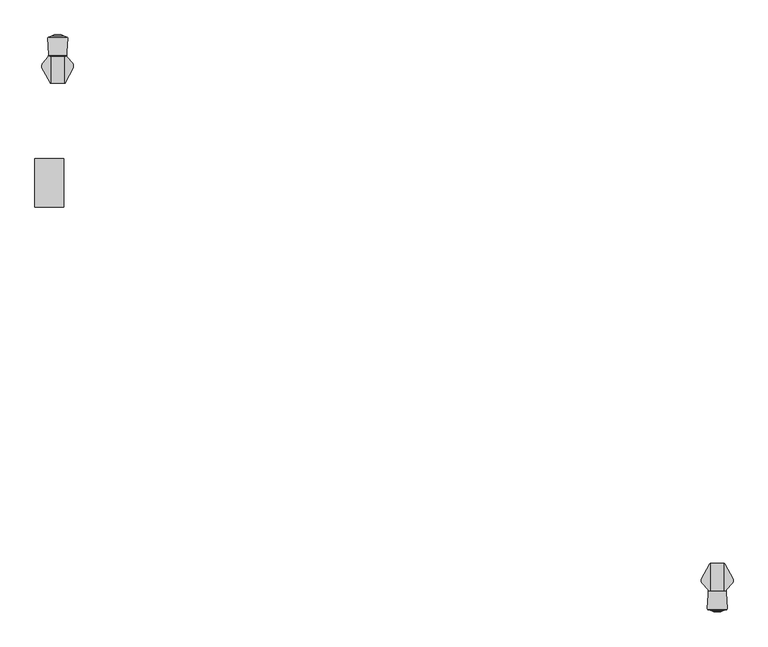
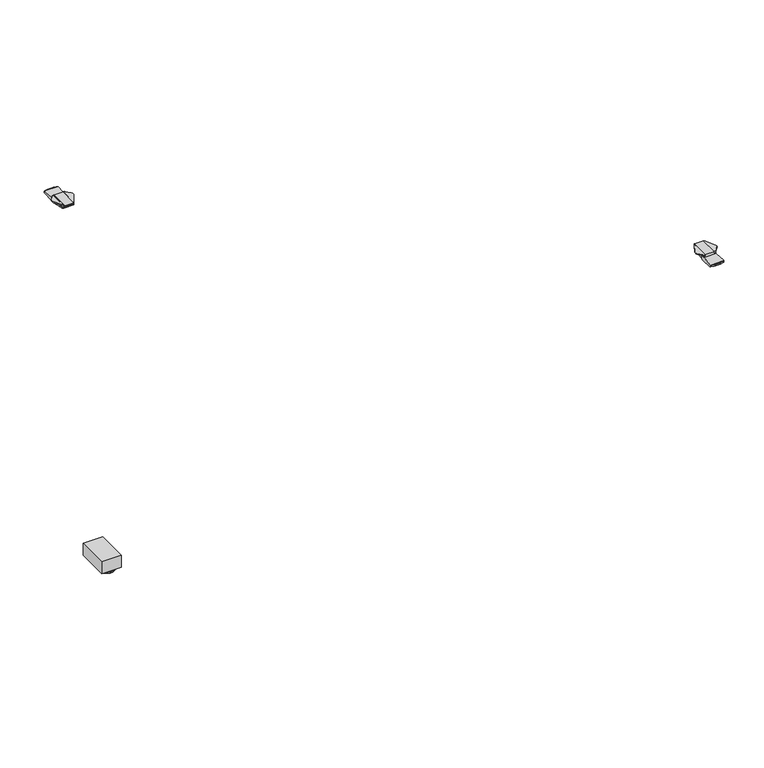
"""IFC4 building model written with IfcOpenShell, lengths in millimetres: furniture geometry."""

from ifc_helpers import new_model, si_unit, frame, origin, place, context, project, spatial, polyline, circle_curve, ellipse_curve, outline, extrude, faceted_brep, source, transform, mapped, element, save
from ifc_brep_helpers import plane_surface, cylinder_surface, revolved_surface, advanced_brep


def furniture_896f5cc2(model_context):
    return source(origin(), model_context, "Body", "SolidModel", [
        advanced_brep(
        [(-665.6951697, 895.5866978, 1037.209), (-665.6951697, 895.5866978, 1029.9601819), (-664.57366, 895.5866978, 1029.8867914), (-664.57366, 895.5866978, 1037.209), (-661.3898093, 951.0598352, 1033.5228106), (-661.5398673, 951.0598352, 1031.2297138), (-661.9192398, 951.0598352, 1029.7130886), (-665.6951697, 951.0598352, 1029.9601819), (-665.6951697, 951.0598352, 1037.209), (-661.0193081, 951.0598352, 1037.209), (-661.0193081, 951.0598352, 1033.8693631), (-647.3176977, 927.1377656, 1037.209), (-647.3176977, 932.3231849, 1037.209), (-649.2257879, 935.9117807, 1037.209), (-661.0193081, 949.1101381, 1037.209), (-647.5958057, 926.6292686, 1036.2591307), (-647.5958057, 933.2370102, 1036.2591307), (-648.186758, 925.5487623, 1035.4654291), (-648.186758, 934.4944593, 1035.4654291), (-649.0641754, 923.9444789, 1034.9271625), (-649.0641754, 935.7295944, 1034.9271625), (-651.896924, 918.7650376, 1034.7095886), (-651.896924, 938.9011009, 1034.7095886), (-649.2257879, 935.9117807, 1034.9147496), (-660.12164, 903.72684, 1034.7090072), (-660.12164, 948.1055403, 1034.7090072), (-661.3898093, 901.4080996, 1033.5228106), (-661.0193081, 949.1101381, 1033.8693631), (-661.5398673, 901.1337312, 1031.2297138), (-661.9192398, 900.4400807, 1029.7130886)],
        [
            (0, 1),
            (1, 2),
            (2, 3),
            (3, 0),
            (4, 5),
            (5, 6),
            (6, 7),
            (7, 8),
            (8, 9),
            (9, 10),
            (10, 4),
            (8, 0),
            (3, 11),
            (11, 12),
            (12, 13, circle_curve(frame((-655.2444137, 930.4100479, 1037.209), z_axis=(0.0, 0.0, 1.0), x_axis=(-1.0, 0.0, 0.0)), 8.1543192)),
            (13, 14),
            (14, 9),
            (11, 15),
            (15, 16),
            (16, 12, ellipse_curve(frame((-655.2444137, 930.4100479, 1010.1355466), z_axis=(0.9597108497777287, 0.0, -0.28098947456961776), x_axis=(-0.28098947456961776, 0.0, -0.9597108497777287)), 29.0200165, 8.1543192)),
            (15, 17),
            (17, 18),
            (18, 16, ellipse_curve(frame((-655.2444137, 930.4100479, 1025.9863691), z_axis=(0.8020925083963487, 0.0, -0.597199805738794), x_axis=(-0.5971998057387942, 0.0, -0.8020925083963487)), 13.6542563, 8.1543192)),
            (17, 19),
            (19, 20),
            (20, 18, ellipse_curve(frame((-655.2444137, 930.4100479, 1031.1357905), z_axis=(0.5229113139159309, 0.0, -0.8523870938597762), x_axis=(-0.8523870938597762, 0.0, -0.5229113139159307)), 9.5664508, 8.1543192)),
            (19, 21),
            (21, 22),
            (22, 23),
            (23, 20, ellipse_curve(frame((-655.2444137, 930.4100479, 1034.4524791), z_axis=(0.07658109560408621, 0.0, -0.9970633559589269), x_axis=(-0.9970633559589269, 0.0, -0.076581095604086)), 8.178336, 8.1543192)),
            (21, 24),
            (24, 25),
            (25, 22),
            (26, 4),
            (10, 27),
            (27, 25),
            (24, 26),
            (26, 28),
            (28, 5),
            (28, 29),
            (29, 6),
            (29, 2),
            (1, 7),
            (27, 14),
            (13, 23),
        ],
        [
            plane_surface(frame((-665.6951697, 895.5866978, 1029.7916475), z_axis=(0.0, -1.0, 0.0), x_axis=(0.0, 0.0, -1.0))),
            plane_surface(frame((-665.6951697, 951.0598352, 1029.7916475), z_axis=(0.0, 1.0, 0.0), x_axis=(0.0, 0.0, 1.0))),
            plane_surface(frame((-647.3176977, 895.5866978, 1037.209), z_axis=(0.0, 0.0, 1.0), x_axis=(0.0, 1.0, 0.0))),
            plane_surface(frame((-647.5958057, 895.5866978, 1036.2591307), z_axis=(0.9597108497777287, 0.0, -0.28098947456961776), x_axis=(0.0, 1.0, 0.0))),
            plane_surface(frame((-648.186758, 895.5866978, 1035.4654291), z_axis=(0.8020925083963487, 0.0, -0.597199805738794), x_axis=(0.0, 1.0, 0.0))),
            plane_surface(frame((-649.0641754, 895.5866978, 1034.9271625), z_axis=(0.5229113139159309, 0.0, -0.8523870938597762), x_axis=(0.0, 1.0, 0.0))),
            plane_surface(frame((-651.896924, 895.5866978, 1034.7095886), z_axis=(0.07658109560408621, 0.0, -0.9970633559589269), x_axis=(0.0, 1.0, 0.0))),
            plane_surface(frame((-660.12164, 895.5866978, 1034.7090072), z_axis=(7.068449081192285e-05, 0.0, -0.9999999975018514), x_axis=(0.0, 1.0, 0.0))),
            plane_surface(frame((-661.3898093, 895.5866978, 1033.5228106), z_axis=(0.6831094450823834, 0.0, -0.730316017925965), x_axis=(0.0, 1.0, 0.0))),
            plane_surface(frame((-661.5398673, 895.5866978, 1031.2297138), z_axis=(0.9978657180161974, 0.0, -0.06529937831265213), x_axis=(0.0, 1.0, 0.0))),
            plane_surface(frame((-661.9192398, 895.5866978, 1029.7130886), z_axis=(0.9701099565798296, 0.0, -0.24266576220118327), x_axis=(0.0, 1.0, 0.0))),
            plane_surface(frame((-665.6951697, 895.5866978, 1029.9601819), z_axis=(-0.06529937831268313, 0.0, -0.9978657180161954), x_axis=(0.0, 1.0, 0.0))),
            plane_surface(frame((-665.6951697, 895.5866978, 1037.209), z_axis=(-1.0, 0.0, 0.0), x_axis=(0.0, 1.0, 0.0))),
            plane_surface(frame((-646.9583549, 927.7947936, 1067.1304045), z_axis=(0.8773539056662267, -0.4798438539902514, 0.0), x_axis=(0.0, 0.0, -1.0))),
            plane_surface(frame((-661.0193081, 949.1101381, 1044.0028547), z_axis=(0.7456773398656481, 0.666307215037396, 0.0), x_axis=(0.0, 0.0, -1.0))),
            plane_surface(frame((-661.0193081, 952.2864644, 1044.0028547), z_axis=(1.0, 0.0, 0.0), x_axis=(0.0, 0.0, -1.0))),
            cylinder_surface(frame((-655.2444137, 930.4100479, 344.6554878), z_axis=(0.0, 0.0, -1.0), x_axis=(-1.0, 0.0, 0.0)), 8.1543192),
        ],
        [
            (0, [[1, 2, 3, 4]]),
            (1, [[5, 6, 7, 8, 9, 10, 11]]),
            (2, [[12, -4, 13, 14, 15, 16, 17, -9]]),
            (3, [[18, 19, 20, -14]]),
            (4, [[21, 22, 23, -19]]),
            (5, [[24, 25, 26, -22]]),
            (6, [[27, 28, 29, 30, -25]]),
            (7, [[31, 32, 33, -28]]),
            (8, [[34, -11, 35, 36, -32, 37]]),
            (9, [[-5, -34, 38, 39]]),
            (10, [[-6, -39, 40, 41]]),
            (11, [[-7, -41, 42, -2, 43]]),
            (12, [[-1, -12, -8, -43]]),
            (13, [[-3, -42, -40, -38, -37, -31, -27, -24, -21, -18, -13]]),
            (14, [[44, -16, 45, -29, -33, -36]]),
            (15, [[-44, -35, -10, -17]]),
            (16, [[-15, -20, -23, -26, -30, -45]]),
        ],
    ),
        advanced_brep(
        [(-694.2716303, 895.5866978, 1029.9601819), (-694.2716303, 895.5866978, 1037.209), (-695.39314, 895.5866978, 1037.209), (-695.39314, 895.5866978, 1029.8867914), (-694.2716303, 951.0598352, 1037.209), (-694.2716303, 951.0598352, 1029.9601819), (-698.0475602, 951.0598352, 1029.7130886), (-698.4269327, 951.0598352, 1031.2297138), (-698.5769907, 951.0598352, 1033.5228106), (-698.9474919, 951.0598352, 1033.8693631), (-698.9474919, 951.0598352, 1037.209), (-698.9474919, 949.1101381, 1037.209), (-710.7410121, 935.9117807, 1037.209), (-712.6491023, 932.3231849, 1037.209), (-712.6491023, 927.1377656, 1037.209), (-712.3709943, 926.6292686, 1036.2591307), (-712.3709943, 933.2370102, 1036.2591307), (-711.780042, 925.5487623, 1035.4654291), (-711.780042, 934.4944593, 1035.4654291), (-710.9026246, 923.9444789, 1034.9271625), (-710.9026246, 935.7295944, 1034.9271625), (-708.069876, 918.7650376, 1034.7095886), (-710.7410121, 935.9117807, 1034.9147496), (-708.069876, 938.9011009, 1034.7095886), (-699.84516, 903.72684, 1034.7090072), (-699.84516, 948.1055403, 1034.7090072), (-698.5769907, 901.4080996, 1033.5228106), (-698.9474919, 949.1101381, 1033.8693631), (-698.4269327, 901.1337312, 1031.2297138), (-698.0475602, 900.4400807, 1029.7130886)],
        [
            (0, 1),
            (1, 2),
            (2, 3),
            (3, 0),
            (4, 5),
            (5, 6),
            (6, 7),
            (7, 8),
            (8, 9),
            (9, 10),
            (10, 4),
            (1, 4),
            (10, 11),
            (11, 12),
            (12, 13, circle_curve(frame((-704.7223863, 930.4100479, 1037.209), z_axis=(0.0, 0.0, 1.0), x_axis=(1.0, 0.0, 0.0)), 8.1543192)),
            (13, 14),
            (14, 2),
            (15, 14),
            (13, 16, ellipse_curve(frame((-704.7223863, 930.4100479, 1010.1355466), z_axis=(-0.9597108497777287, 0.0, -0.28098947456961776), x_axis=(0.28098947456961776, 0.0, -0.9597108497777287)), 29.0200165, 8.1543192)),
            (16, 15),
            (17, 15),
            (16, 18, ellipse_curve(frame((-704.7223863, 930.4100479, 1025.9863691), z_axis=(-0.8020925083963487, 0.0, -0.597199805738794), x_axis=(0.5971998057387942, 0.0, -0.8020925083963487)), 13.6542563, 8.1543192)),
            (18, 17),
            (19, 17),
            (18, 20, ellipse_curve(frame((-704.7223863, 930.4100479, 1031.1357905), z_axis=(-0.5229113139159309, 0.0, -0.8523870938597762), x_axis=(0.8523870938597762, 0.0, -0.5229113139159307)), 9.5664508, 8.1543192)),
            (20, 19),
            (21, 19),
            (20, 22, ellipse_curve(frame((-704.7223863, 930.4100479, 1034.4524791), z_axis=(-0.07658109560408916, 0.0, -0.9970633559589267), x_axis=(0.9970633559589266, 0.0, -0.07658109560408885)), 8.178336, 8.1543192)),
            (22, 23),
            (23, 21),
            (24, 21),
            (23, 25),
            (25, 24),
            (8, 26),
            (26, 24),
            (25, 27),
            (27, 9),
            (7, 28),
            (28, 26),
            (6, 29),
            (29, 28),
            (5, 0),
            (3, 29),
            (11, 27),
            (22, 12),
        ],
        [
            plane_surface(frame((-696.3071645, 895.5866978, 1037.209), z_axis=(0.0, -1.0, 0.0), x_axis=(-1.0, 0.0, 0.0))),
            plane_surface(frame((-696.3071645, 951.0598352, 1037.209), z_axis=(0.0, 1.0, 0.0), x_axis=(1.0, 0.0, 0.0))),
            plane_surface(frame((-694.2716303, 895.5866978, 1037.209), z_axis=(0.0, 0.0, 1.0), x_axis=(0.0, 1.0, 0.0))),
            plane_surface(frame((-712.6491023, 895.5866978, 1037.209), z_axis=(-0.9597108497777287, 0.0, -0.28098947456961776), x_axis=(0.0, 1.0, 0.0))),
            plane_surface(frame((-712.3709943, 895.5866978, 1036.2591307), z_axis=(-0.8020925083963487, 0.0, -0.597199805738794), x_axis=(0.0, 1.0, 0.0))),
            plane_surface(frame((-711.780042, 895.5866978, 1035.4654291), z_axis=(-0.5229113139159309, 0.0, -0.8523870938597762), x_axis=(0.0, 1.0, 0.0))),
            plane_surface(frame((-710.9026246, 895.5866978, 1034.9271625), z_axis=(-0.07658109560408916, 0.0, -0.9970633559589267), x_axis=(0.0, 1.0, 0.0))),
            plane_surface(frame((-708.069876, 895.5866978, 1034.7095886), z_axis=(-7.068449081192191e-05, 0.0, -0.9999999975018514), x_axis=(0.0, 1.0, 0.0))),
            plane_surface(frame((-699.84516, 895.5866978, 1034.7090072), z_axis=(-0.6831094450823831, 0.0, -0.7303160179259652), x_axis=(0.0, 1.0, 0.0))),
            plane_surface(frame((-698.5769907, 895.5866978, 1033.5228106), z_axis=(-0.9978657180161974, 0.0, -0.06529937831265213), x_axis=(0.0, 1.0, 0.0))),
            plane_surface(frame((-698.4269327, 895.5866978, 1031.2297138), z_axis=(-0.9701099565798296, 0.0, -0.24266576220118327), x_axis=(0.0, 1.0, 0.0))),
            plane_surface(frame((-698.0475602, 895.5866978, 1029.7130886), z_axis=(0.0652993783126831, 0.0, -0.9978657180161954), x_axis=(0.0, 1.0, 0.0))),
            plane_surface(frame((-694.2716303, 895.5866978, 1029.9601819), z_axis=(1.0, 0.0, 0.0), x_axis=(0.0, 1.0, 0.0))),
            plane_surface(frame((-695.39314, 895.5866978, 1067.1304045), z_axis=(-0.8773539056662298, -0.47984385399024576, 0.0), x_axis=(0.0, 0.0, -1.0))),
            plane_surface(frame((-710.7410121, 935.9117807, 1044.0028547), z_axis=(-0.7456773398656439, 0.6663072150374009, 0.0), x_axis=(0.0, 0.0, -1.0))),
            plane_surface(frame((-698.9474919, 949.1101381, 1044.0028547), z_axis=(-1.0, 0.0, 0.0), x_axis=(0.0, 0.0, -1.0))),
            cylinder_surface(frame((-704.7223863, 930.4100479, 344.6554878), z_axis=(0.0, 0.0, -1.0), x_axis=(1.0, 0.0, 0.0)), 8.1543192),
        ],
        [
            (0, [[1, 2, 3, 4]]),
            (1, [[5, 6, 7, 8, 9, 10, 11]]),
            (2, [[12, -11, 13, 14, 15, 16, 17, -2]]),
            (3, [[18, -16, 19, 20]]),
            (4, [[21, -20, 22, 23]]),
            (5, [[24, -23, 25, 26]]),
            (6, [[27, -26, 28, 29, 30]]),
            (7, [[31, -30, 32, 33]]),
            (8, [[34, 35, -33, 36, 37, -9]]),
            (9, [[-8, 38, 39, -34]]),
            (10, [[-7, 40, 41, -38]]),
            (11, [[-6, 42, -4, 43, -40]]),
            (12, [[-1, -42, -5, -12]]),
            (13, [[-3, -17, -18, -21, -24, -27, -31, -35, -39, -41, -43]]),
            (14, [[44, -36, -32, -29, 45, -14]]),
            (15, [[-44, -13, -10, -37]]),
            (16, [[-15, -45, -28, -25, -22, -19]]),
        ],
    ),
        advanced_brep(
        [(-663.4937452, 932.0459186, 1017.7130243), (-663.4937452, 935.9201371, 1016.9270984), (-663.4937452, 938.0493676, 1016.6538593), (-663.4937452, 940.0206499, 1016.5113535), (-663.4937452, 942.0531203, 1016.5263235), (-663.4937452, 944.093003, 1016.7748548), (-663.4937452, 951.7566704, 1029.7916475), (-663.4937452, 950.9081394, 1037.209), (-663.4937452, 915.1454668, 1037.209), (-663.4937452, 915.1454668, 1021.7486428), (-696.3071645, 950.9081394, 1037.209), (-696.3071645, 951.7566704, 1029.7916475), (-696.3071645, 944.093003, 1016.7748548), (-696.3071645, 942.0531203, 1016.5263235), (-696.3071645, 940.0206499, 1016.5113535), (-696.3071645, 938.0493676, 1016.6538593), (-696.3071645, 935.9201371, 1016.9270984), (-696.3071645, 932.0459186, 1017.7130243), (-696.3071645, 916.2494731, 1021.4850198), (-696.3071645, 916.2494731, 1037.209), (-695.3683131, 895.8807697, 1037.209), (-693.6813974, 894.5538757, 1037.209), (-666.0686255, 894.5538757, 1037.209), (-664.3817098, 895.8807697, 1037.209), (-694.5495126, 894.7871827, 1033.8727211), (-665.2005102, 894.7871827, 1033.8727211), (-694.8911096, 895.0456335, 1032.277615), (-664.8589133, 895.0456335, 1032.277615), (-695.2422739, 895.5310326, 1030.7540161), (-664.507749, 895.5310326, 1030.7540161), (-695.3683131, 895.8807697, 1030.0612029), (-695.3849046, 896.2407277, 1029.3481426), (-664.3651183, 896.2407277, 1029.3481426), (-664.3817098, 895.8807697, 1030.0612029), (-695.4266804, 897.1470677, 1028.0897165), (-664.3233425, 897.1470677, 1028.0897165), (-695.4787075, 898.2758142, 1026.9530853), (-664.2713154, 898.2758142, 1026.9530853), (-695.603025, 900.9729243, 1025.2864719), (-664.1469979, 900.9729243, 1025.2864719), (-695.6736573, 902.5053162, 1024.7669542), (-664.0763656, 902.5053162, 1024.7669542)],
        [
            (0, 1),
            (1, 2),
            (2, 3),
            (3, 4),
            (4, 5),
            (5, 6),
            (6, 7),
            (7, 8),
            (8, 9),
            (9, 0),
            (10, 11),
            (11, 12),
            (12, 13),
            (13, 14),
            (14, 15),
            (15, 16),
            (16, 17),
            (17, 18),
            (18, 19),
            (19, 10),
            (7, 10),
            (19, 20),
            (20, 21, circle_curve(frame((-693.6797592, 896.2917158, 1037.209), z_axis=(0.0, 0.0, 1.0), x_axis=(1.0, 0.0, 0.0)), 1.7378408)),
            (21, 22),
            (22, 23, circle_curve(frame((-666.0702636, 896.2917158, 1037.209), z_axis=(0.0, 0.0, 1.0), x_axis=(-1.0, 0.0, 0.0)), 1.7378408)),
            (23, 8),
            (21, 24, ellipse_curve(frame((-693.6797592, 896.2917158, 1012.3579681), z_axis=(0.0, -0.997563808233696, -0.06975993479272999), x_axis=(0.0, 0.06975993479272999, -0.997563808233696)), 24.9117327, 1.7378408)),
            (24, 25),
            (25, 22, ellipse_curve(frame((-666.0702636, 896.2917158, 1012.3579681), z_axis=(0.0, -0.997563808233696, -0.06975993479272999), x_axis=(0.0, 0.06975993479272999, -0.997563808233696)), 24.9117327, 1.7378408)),
            (24, 26, ellipse_curve(frame((-693.6797592, 896.2917158, 1024.5870466), z_axis=(0.0, -0.9871264986508672, -0.15994147573809478), x_axis=(0.0, 0.1599414757380948, -0.9871264986508672)), 10.8654796, 1.7378408)),
            (26, 27),
            (27, 25, ellipse_curve(frame((-666.0702636, 896.2917158, 1024.5870466), z_axis=(0.0, -0.9871264986508672, -0.15994147573809478), x_axis=(0.0, 0.1599414757380948, -0.9871264986508672)), 10.8654796, 1.7378408)),
            (26, 28, ellipse_curve(frame((-693.6797592, 896.2917158, 1028.3663399), z_axis=(0.0, -0.9528141049574114, -0.3035544125757476), x_axis=(0.0, 0.3035544125757476, -0.9528141049574113)), 5.7249731, 1.7378408)),
            (28, 29),
            (29, 27, ellipse_curve(frame((-666.0702636, 896.2917158, 1028.3663399), z_axis=(0.0, -0.9528141049574114, -0.3035544125757476), x_axis=(0.0, 0.3035544125757476, -0.9528141049574113)), 5.7249731, 1.7378408)),
            (30, 31),
            (31, 32),
            (32, 33),
            (33, 29, ellipse_curve(frame((-666.0702636, 896.2917158, 1029.2471375), z_axis=(0.0, -0.8927040411549356, -0.45064342323576323), x_axis=(0.0, 0.45064342323576323, -0.8927040411549354)), 3.8563546, 1.7378408)),
            (28, 30, ellipse_curve(frame((-693.6797592, 896.2917158, 1029.2471375), z_axis=(0.0, -0.8927040411549356, -0.45064342323576323), x_axis=(0.0, 0.45064342323576323, -0.8927040411549354)), 3.8563546, 1.7378408)),
            (31, 34),
            (34, 35),
            (35, 32),
            (34, 36),
            (36, 37),
            (37, 35),
            (36, 38),
            (38, 39),
            (39, 37),
            (38, 40),
            (40, 41),
            (41, 39),
            (17, 0),
            (9, 41),
            (40, 18),
            (16, 1),
            (15, 2),
            (14, 3),
            (13, 4),
            (12, 5),
            (11, 6),
            (30, 20),
            (23, 33),
        ],
        [
            plane_surface(frame((-663.4937452, 936.3711996, 1037.209), z_axis=(1.0, 0.0, 0.0), x_axis=(0.0, -1.0, 0.0))),
            plane_surface(frame((-696.3071645, 936.3711996, 1037.209), z_axis=(-1.0, 0.0, 0.0), x_axis=(0.0, 1.0, 0.0))),
            plane_surface(frame((-663.4937452, 950.9081394, 1037.209), z_axis=(0.0, 0.0, 1.0), x_axis=(-1.0, 0.0, 0.0))),
            plane_surface(frame((-663.4937452, 894.5538757, 1037.209), z_axis=(0.0, -0.997563808233696, -0.06975993479272999), x_axis=(-1.0, 0.0, 0.0))),
            plane_surface(frame((-663.4937452, 894.7871827, 1033.8727211), z_axis=(0.0, -0.9871264986508672, -0.15994147573809478), x_axis=(-1.0, 0.0, 0.0))),
            plane_surface(frame((-663.4937452, 895.0456335, 1032.277615), z_axis=(0.0, -0.9528141049574114, -0.3035544125757476), x_axis=(-1.0, 0.0, 0.0))),
            plane_surface(frame((-663.4937452, 895.5310326, 1030.7540161), z_axis=(0.0, -0.8927040411549356, -0.45064342323576323), x_axis=(-1.0, 0.0, 0.0))),
            plane_surface(frame((-663.4937452, 896.2407277, 1029.3481426), z_axis=(0.0, -0.8114507875380346, -0.5844207554526991), x_axis=(-1.0, 0.0, 0.0))),
            plane_surface(frame((-663.4937452, 897.1470677, 1028.0897165), z_axis=(0.0, -0.709563582881154, -0.7046414136629068), x_axis=(-1.0, 0.0, 0.0))),
            plane_surface(frame((-663.4937452, 898.2758142, 1026.9530853), z_axis=(0.0, -0.5256643953018258, -0.8506920379972801), x_axis=(-1.0, 0.0, 0.0))),
            plane_surface(frame((-663.4937452, 900.9729243, 1025.2864719), z_axis=(0.0, -0.32107410172322703, -0.9470540751206464), x_axis=(-1.0, 0.0, 0.0))),
            plane_surface(frame((-663.4937452, 902.5053162, 1024.7669542), z_axis=(0.0, -0.23225778917580225, -0.9726542650742702), x_axis=(-1.0, 0.0, 0.0))),
            plane_surface(frame((-663.4937452, 932.0459186, 1017.7130243), z_axis=(0.0, -0.1988109622365403, -0.9800378570721546), x_axis=(-1.0, 0.0, 0.0))),
            plane_surface(frame((-663.4937452, 935.9201371, 1016.9270984), z_axis=(0.0, -0.12728387031952287, -0.9918663298834591), x_axis=(-1.0, 0.0, 0.0))),
            plane_surface(frame((-663.4937452, 938.0493676, 1016.6538593), z_axis=(0.0, -0.07210277493300896, -0.997397207659496), x_axis=(-1.0, 0.0, 0.0))),
            plane_surface(frame((-663.4937452, 940.0206499, 1016.5113535), z_axis=(0.0, 0.007365229187275853, -0.9999728763316628), x_axis=(-1.0, 0.0, 0.0))),
            plane_surface(frame((-663.4937452, 942.0531203, 1016.5263235), z_axis=(0.0, 0.12094176610084181, -0.992659603898743), x_axis=(-1.0, 0.0, 0.0))),
            plane_surface(frame((-663.4937452, 944.093003, 1016.7748548), z_axis=(0.0, 0.8617394273144986, -0.5073511204399573), x_axis=(-1.0, 0.0, 0.0))),
            plane_surface(frame((-663.4937452, 951.7566704, 1029.7916475), z_axis=(0.0, 0.9935200698495489, 0.11365681152551958), x_axis=(-1.0, 0.0, 0.0))),
            plane_surface(frame((-695.3683131, 895.8807697, 1050.6978518), z_axis=(-0.9989394147117107, -0.046043954385185035, 0.0), x_axis=(0.0, 0.0, -1.0))),
            cylinder_surface(frame((-693.6797592, 896.2917158, 1007.8853687), z_axis=(0.0, 0.0, -1.0), x_axis=(1.0, 0.0, 0.0)), 1.7378408),
            plane_surface(frame((-661.7024627, 954.007956, 1050.6978518), z_axis=(0.9989394147117103, -0.046043954385191446, 0.0), x_axis=(0.0, 0.0, -1.0))),
            cylinder_surface(frame((-666.0702636, 896.2917158, 1007.8853687), z_axis=(0.0, 0.0, -1.0), x_axis=(-1.0, 0.0, 0.0)), 1.7378408),
        ],
        [
            (0, [[1, 2, 3, 4, 5, 6, 7, 8, 9, 10]]),
            (1, [[11, 12, 13, 14, 15, 16, 17, 18, 19, 20]]),
            (2, [[21, -20, 22, 23, 24, 25, 26, -8]]),
            (3, [[27, 28, 29, -24]]),
            (4, [[30, 31, 32, -28]]),
            (5, [[33, 34, 35, -31]]),
            (6, [[36, 37, 38, 39, -34, 40]]),
            (7, [[41, 42, 43, -37]]),
            (8, [[44, 45, 46, -42]]),
            (9, [[47, 48, 49, -45]]),
            (10, [[50, 51, 52, -48]]),
            (11, [[53, -10, 54, -51, 55, -18]]),
            (12, [[-1, -53, -17, 56]]),
            (13, [[-2, -56, -16, 57]]),
            (14, [[-3, -57, -15, 58]]),
            (15, [[-4, -58, -14, 59]]),
            (16, [[-5, -59, -13, 60]]),
            (17, [[-6, -60, -12, 61]]),
            (18, [[-7, -61, -11, -21]]),
            (19, [[62, -22, -19, -55, -50, -47, -44, -41, -36]]),
            (20, [[-62, -40, -33, -30, -27, -23]]),
            (21, [[63, -38, -43, -46, -49, -52, -54, -9, -26]]),
            (22, [[-63, -25, -29, -32, -35, -39]]),
        ],
    ),
        faceted_brep([(-662.263947, 940.8517947, 1029.223888), (-662.0676147, 943.7883029, 1030.0697046), (-697.5765074, 943.7883029, 1030.0697046), (-697.4411554, 940.8517947, 1029.223888), (-662.4085732, 938.6886454, 1027.3301699), (-697.3414497, 938.6886454, 1027.3301699), (-662.4765724, 937.6715927, 1025.0631571), (-697.2945708, 937.6715927, 1025.0631571), (-662.4913768, 937.4501672, 1023.7281368), (-697.2843647, 937.4501672, 1023.7281368), (-662.4881142, 937.4989651, 1022.446311), (-697.2866139, 937.4989651, 1022.446311), (-662.4726539, 937.730201, 1021.1650665), (-697.2972722, 937.730201, 1021.1650665), (-662.4113839, 938.6466058, 1019.326952), (-697.3395119, 938.6466058, 1019.326952), (-662.2946986, 940.3918481, 1017.6682596), (-697.4199551, 940.3918481, 1017.6682596), (-662.1164858, 943.0573468, 1016.6432495), (-697.5428155, 943.0573468, 1016.6432495), (-662.024786, 944.4288837, 1016.5717422), (-697.6060336, 944.4288837, 1016.5717422), (-659.1093822, 988.0340709, 1023.2389952), (-698.0475602, 954.007956, 1018.0363867), (-698.5824622, 954.007956, 1018.0363867), (-700.8574178, 988.0340709, 1023.2389952), (-659.0660016, 988.6829078, 1023.3389153), (-700.9007984, 988.6829078, 1023.3389153), (-699.478104, 989.7505722, 1023.5033343), (-696.0838056, 990.9998783, 1023.695726), (-663.8829944, 990.9998783, 1023.695726), (-660.488696, 989.7505722, 1023.5033343), (-669.1582098, 992.9414749, 1023.9930916), (-690.8085902, 992.9414749, 1023.9930916), (-673.4343762, 994.5153613, 1025.1280514), (-686.5324238, 994.5153613, 1025.1280514), (-673.0625958, 994.3785238, 1027.4254402), (-686.9042042, 994.3785238, 1027.4254402), (-668.6435491, 992.7520488, 1028.3600857), (-691.3232509, 992.7520488, 1028.3600857), (-661.2460778, 990.0293343, 1028.4561186), (-698.7207222, 990.0293343, 1028.4561186), (-659.0660016, 988.6829078, 1028.5031023), (-660.488696, 989.7505722, 1028.465846), (-699.478104, 989.7505722, 1028.465846), (-700.9007984, 988.6829078, 1028.5031023), (-698.5824622, 954.007956, 1029.7130886), (-698.0475602, 954.007956, 1029.7130886)], [[[0, 1, 2, 3]], [[4, 0, 3, 5]], [[6, 4, 5, 7]], [[8, 6, 7, 9]], [[10, 8, 9, 11]], [[12, 10, 11, 13]], [[14, 12, 13, 15]], [[16, 14, 15, 17]], [[18, 16, 17, 19]], [[20, 18, 19, 21]], [[22, 20, 21, 23, 24, 25]], [[26, 22, 25, 27, 28, 29, 30, 31]], [[32, 30, 29, 33]], [[34, 32, 33, 35]], [[36, 34, 35, 37]], [[38, 36, 37, 39]], [[40, 38, 39, 41]], [[1, 42, 43, 40, 41, 44, 45, 46, 47, 2]], [[26, 42, 1, 0, 4, 6, 8, 10, 12, 14, 16, 18, 20, 22]], [[43, 31, 30, 32, 34, 36, 38, 40]], [[42, 26, 31, 43]], [[47, 23, 21, 19, 17, 15, 13, 11, 9, 7, 5, 3, 2]], [[23, 47, 46, 24]], [[45, 27, 25, 24, 46]], [[28, 44, 41, 39, 37, 35, 33, 29]], [[44, 28, 27, 45]]]),
        advanced_brep(
        [(665.6951697, -97.0614979, 1037.209), (665.6951697, -97.0614979, 1029.9601819), (664.57366, -97.0614979, 1029.8867914), (664.57366, -97.0614979, 1037.209), (661.3898093, -152.5346353, 1033.5228106), (661.5398673, -152.5346353, 1031.2297138), (661.9192398, -152.5346353, 1029.7130886), (665.6951697, -152.5346353, 1029.9601819), (665.6951697, -152.5346353, 1037.209), (661.0193081, -152.5346353, 1037.209), (661.0193081, -152.5346353, 1033.8693631), (647.3176977, -128.6125657, 1037.209), (647.3176977, -133.797985, 1037.209), (649.2257879, -137.3865808, 1037.209), (661.0193081, -150.5849382, 1037.209), (647.5958057, -128.1040687, 1036.2591307), (647.5958057, -134.7118103, 1036.2591307), (648.186758, -127.0235624, 1035.4654291), (648.186758, -135.9692594, 1035.4654291), (649.0641754, -125.419279, 1034.9271625), (649.0641754, -137.2043945, 1034.9271625), (651.896924, -120.2398377, 1034.7095886), (651.896924, -140.375901, 1034.7095886), (649.2257879, -137.3865808, 1034.9147496), (660.12164, -105.2016401, 1034.7090072), (660.12164, -149.5803404, 1034.7090072), (661.3898093, -102.8828997, 1033.5228106), (661.0193081, -150.5849382, 1033.8693631), (661.5398673, -102.6085313, 1031.2297138), (661.9192398, -101.9148808, 1029.7130886)],
        [
            (0, 1),
            (1, 2),
            (2, 3),
            (3, 0),
            (4, 5),
            (5, 6),
            (6, 7),
            (7, 8),
            (8, 9),
            (9, 10),
            (10, 4),
            (8, 0),
            (3, 11),
            (11, 12),
            (12, 13, circle_curve(frame((655.2444137, -131.884848, 1037.209), z_axis=(0.0, 0.0, 1.0), x_axis=(1.0, 0.0, 0.0)), 8.1543192)),
            (13, 14),
            (14, 9),
            (11, 15),
            (15, 16),
            (16, 12, ellipse_curve(frame((655.2444137, -131.884848, 1010.1355466), z_axis=(-0.9597108497777287, 0.0, -0.28098947456961776), x_axis=(0.28098947456961776, 0.0, -0.9597108497777287)), 29.0200165, 8.1543192)),
            (15, 17),
            (17, 18),
            (18, 16, ellipse_curve(frame((655.2444137, -131.884848, 1025.9863691), z_axis=(-0.8020925083963487, 0.0, -0.597199805738794), x_axis=(0.5971998057387942, 0.0, -0.8020925083963487)), 13.6542563, 8.1543192)),
            (17, 19),
            (19, 20),
            (20, 18, ellipse_curve(frame((655.2444137, -131.884848, 1031.1357905), z_axis=(-0.5229113139159309, 0.0, -0.8523870938597762), x_axis=(0.8523870938597762, 0.0, -0.5229113139159307)), 9.5664508, 8.1543192)),
            (19, 21),
            (21, 22),
            (22, 23),
            (23, 20, ellipse_curve(frame((655.2444137, -131.884848, 1034.4524791), z_axis=(-0.07658109560408621, 0.0, -0.9970633559589269), x_axis=(0.9970633559589269, 0.0, -0.076581095604086)), 8.178336, 8.1543192)),
            (21, 24),
            (24, 25),
            (25, 22),
            (26, 4),
            (10, 27),
            (27, 25),
            (24, 26),
            (26, 28),
            (28, 5),
            (28, 29),
            (29, 6),
            (29, 2),
            (1, 7),
            (27, 14),
            (13, 23),
        ],
        [
            plane_surface(frame((665.6951697, -97.0614979, 1029.7916475), z_axis=(0.0, 1.0, 0.0), x_axis=(0.0, 0.0, -1.0))),
            plane_surface(frame((665.6951697, -152.5346353, 1029.7916475), z_axis=(0.0, -1.0, 0.0), x_axis=(0.0, 0.0, 1.0))),
            plane_surface(frame((647.3176977, -97.0614979, 1037.209), z_axis=(0.0, 0.0, 1.0), x_axis=(0.0, -1.0, 0.0))),
            plane_surface(frame((647.5958057, -97.0614979, 1036.2591307), z_axis=(-0.9597108497777287, 0.0, -0.28098947456961776), x_axis=(0.0, -1.0, 0.0))),
            plane_surface(frame((648.186758, -97.0614979, 1035.4654291), z_axis=(-0.8020925083963487, 0.0, -0.597199805738794), x_axis=(0.0, -1.0, 0.0))),
            plane_surface(frame((649.0641754, -97.0614979, 1034.9271625), z_axis=(-0.5229113139159309, 0.0, -0.8523870938597762), x_axis=(0.0, -1.0, 0.0))),
            plane_surface(frame((651.896924, -97.0614979, 1034.7095886), z_axis=(-0.07658109560408621, 0.0, -0.9970633559589269), x_axis=(0.0, -1.0, 0.0))),
            plane_surface(frame((660.12164, -97.0614979, 1034.7090072), z_axis=(-7.068449081192285e-05, 0.0, -0.9999999975018514), x_axis=(0.0, -1.0, 0.0))),
            plane_surface(frame((661.3898093, -97.0614979, 1033.5228106), z_axis=(-0.6831094450823834, 0.0, -0.730316017925965), x_axis=(0.0, -1.0, 0.0))),
            plane_surface(frame((661.5398673, -97.0614979, 1031.2297138), z_axis=(-0.9978657180161974, 0.0, -0.06529937831265213), x_axis=(0.0, -1.0, 0.0))),
            plane_surface(frame((661.9192398, -97.0614979, 1029.7130886), z_axis=(-0.9701099565798296, 0.0, -0.24266576220118327), x_axis=(0.0, -1.0, 0.0))),
            plane_surface(frame((665.6951697, -97.0614979, 1029.9601819), z_axis=(0.06529937831268313, 0.0, -0.9978657180161954), x_axis=(0.0, -1.0, 0.0))),
            plane_surface(frame((665.6951697, -97.0614979, 1037.209), z_axis=(1.0, 0.0, 0.0), x_axis=(0.0, -1.0, 0.0))),
            plane_surface(frame((646.9583549, -129.2695936, 1067.1304045), z_axis=(-0.8773539056662283, 0.4798438539902486, 0.0), x_axis=(0.0, 0.0, -1.0))),
            plane_surface(frame((661.0193081, -150.5849382, 1044.0028547), z_axis=(-0.745677339865646, -0.6663072150373984, 0.0), x_axis=(0.0, 0.0, -1.0))),
            plane_surface(frame((661.0193081, -153.7612645, 1044.0028547), z_axis=(-1.0, 0.0, 0.0), x_axis=(0.0, 0.0, -1.0))),
            cylinder_surface(frame((655.2444137, -131.884848, 344.6554878), z_axis=(0.0, 0.0, -1.0), x_axis=(1.0, 0.0, 0.0)), 8.1543192),
        ],
        [
            (0, [[1, 2, 3, 4]]),
            (1, [[5, 6, 7, 8, 9, 10, 11]]),
            (2, [[12, -4, 13, 14, 15, 16, 17, -9]]),
            (3, [[18, 19, 20, -14]]),
            (4, [[21, 22, 23, -19]]),
            (5, [[24, 25, 26, -22]]),
            (6, [[27, 28, 29, 30, -25]]),
            (7, [[31, 32, 33, -28]]),
            (8, [[34, -11, 35, 36, -32, 37]]),
            (9, [[-5, -34, 38, 39]]),
            (10, [[-6, -39, 40, 41]]),
            (11, [[-7, -41, 42, -2, 43]]),
            (12, [[-1, -12, -8, -43]]),
            (13, [[-3, -42, -40, -38, -37, -31, -27, -24, -21, -18, -13]]),
            (14, [[44, -16, 45, -29, -33, -36]]),
            (15, [[-44, -35, -10, -17]]),
            (16, [[-15, -20, -23, -26, -30, -45]]),
        ],
    ),
        advanced_brep(
        [(694.2716303, -97.0614979, 1029.9601819), (694.2716303, -97.0614979, 1037.209), (695.39314, -97.0614979, 1037.209), (695.39314, -97.0614979, 1029.8867914), (694.2716303, -152.5346353, 1037.209), (694.2716303, -152.5346353, 1029.9601819), (698.0475602, -152.5346353, 1029.7130886), (698.4269327, -152.5346353, 1031.2297138), (698.5769907, -152.5346353, 1033.5228106), (698.9474919, -152.5346353, 1033.8693631), (698.9474919, -152.5346353, 1037.209), (698.9474919, -150.5849382, 1037.209), (710.7410121, -137.3865808, 1037.209), (712.6491023, -133.797985, 1037.209), (712.6491023, -128.6125657, 1037.209), (712.3709943, -128.1040687, 1036.2591307), (712.3709943, -134.7118103, 1036.2591307), (711.780042, -127.0235624, 1035.4654291), (711.780042, -135.9692594, 1035.4654291), (710.9026246, -125.419279, 1034.9271625), (710.9026246, -137.2043945, 1034.9271625), (708.069876, -120.2398377, 1034.7095886), (710.7410121, -137.3865808, 1034.9147496), (708.069876, -140.375901, 1034.7095886), (699.84516, -105.2016401, 1034.7090072), (699.84516, -149.5803404, 1034.7090072), (698.5769907, -102.8828997, 1033.5228106), (698.9474919, -150.5849382, 1033.8693631), (698.4269327, -102.6085313, 1031.2297138), (698.0475602, -101.9148808, 1029.7130886)],
        [
            (0, 1),
            (1, 2),
            (2, 3),
            (3, 0),
            (4, 5),
            (5, 6),
            (6, 7),
            (7, 8),
            (8, 9),
            (9, 10),
            (10, 4),
            (1, 4),
            (10, 11),
            (11, 12),
            (12, 13, circle_curve(frame((704.7223863, -131.884848, 1037.209), z_axis=(0.0, 0.0, 1.0), x_axis=(-1.0, 0.0, 0.0)), 8.1543192)),
            (13, 14),
            (14, 2),
            (15, 14),
            (13, 16, ellipse_curve(frame((704.7223863, -131.884848, 1010.1355466), z_axis=(0.9597108497777287, 0.0, -0.28098947456961776), x_axis=(-0.28098947456961776, 0.0, -0.9597108497777287)), 29.0200165, 8.1543192)),
            (16, 15),
            (17, 15),
            (16, 18, ellipse_curve(frame((704.7223863, -131.884848, 1025.9863691), z_axis=(0.8020925083963487, 0.0, -0.597199805738794), x_axis=(-0.5971998057387942, 0.0, -0.8020925083963487)), 13.6542563, 8.1543192)),
            (18, 17),
            (19, 17),
            (18, 20, ellipse_curve(frame((704.7223863, -131.884848, 1031.1357905), z_axis=(0.5229113139159309, 0.0, -0.8523870938597762), x_axis=(-0.8523870938597762, 0.0, -0.5229113139159307)), 9.5664508, 8.1543192)),
            (20, 19),
            (21, 19),
            (20, 22, ellipse_curve(frame((704.7223863, -131.884848, 1034.4524791), z_axis=(0.07658109560408916, 0.0, -0.9970633559589267), x_axis=(-0.9970633559589266, 0.0, -0.07658109560408885)), 8.178336, 8.1543192)),
            (22, 23),
            (23, 21),
            (24, 21),
            (23, 25),
            (25, 24),
            (8, 26),
            (26, 24),
            (25, 27),
            (27, 9),
            (7, 28),
            (28, 26),
            (6, 29),
            (29, 28),
            (5, 0),
            (3, 29),
            (11, 27),
            (22, 12),
        ],
        [
            plane_surface(frame((696.3071645, -97.0614979, 1037.209), z_axis=(0.0, 1.0, 0.0), x_axis=(1.0, 0.0, 0.0))),
            plane_surface(frame((696.3071645, -152.5346353, 1037.209), z_axis=(0.0, -1.0, 0.0), x_axis=(-1.0, 0.0, 0.0))),
            plane_surface(frame((694.2716303, -97.0614979, 1037.209), z_axis=(0.0, 0.0, 1.0), x_axis=(0.0, -1.0, 0.0))),
            plane_surface(frame((712.6491023, -97.0614979, 1037.209), z_axis=(0.9597108497777287, 0.0, -0.28098947456961776), x_axis=(0.0, -1.0, 0.0))),
            plane_surface(frame((712.3709943, -97.0614979, 1036.2591307), z_axis=(0.8020925083963487, 0.0, -0.597199805738794), x_axis=(0.0, -1.0, 0.0))),
            plane_surface(frame((711.780042, -97.0614979, 1035.4654291), z_axis=(0.5229113139159309, 0.0, -0.8523870938597762), x_axis=(0.0, -1.0, 0.0))),
            plane_surface(frame((710.9026246, -97.0614979, 1034.9271625), z_axis=(0.07658109560408916, 0.0, -0.9970633559589267), x_axis=(0.0, -1.0, 0.0))),
            plane_surface(frame((708.069876, -97.0614979, 1034.7095886), z_axis=(7.068449081192191e-05, 0.0, -0.9999999975018514), x_axis=(0.0, -1.0, 0.0))),
            plane_surface(frame((699.84516, -97.0614979, 1034.7090072), z_axis=(0.6831094450823831, 0.0, -0.7303160179259652), x_axis=(0.0, -1.0, 0.0))),
            plane_surface(frame((698.5769907, -97.0614979, 1033.5228106), z_axis=(0.9978657180161974, 0.0, -0.06529937831265213), x_axis=(0.0, -1.0, 0.0))),
            plane_surface(frame((698.4269327, -97.0614979, 1031.2297138), z_axis=(0.9701099565798296, 0.0, -0.24266576220118327), x_axis=(0.0, -1.0, 0.0))),
            plane_surface(frame((698.0475602, -97.0614979, 1029.7130886), z_axis=(-0.0652993783126831, 0.0, -0.9978657180161954), x_axis=(0.0, -1.0, 0.0))),
            plane_surface(frame((694.2716303, -97.0614979, 1029.9601819), z_axis=(-1.0, 0.0, 0.0), x_axis=(0.0, -1.0, 0.0))),
            plane_surface(frame((695.39314, -97.0614979, 1067.1304045), z_axis=(0.8773539056662283, 0.4798438539902486, 0.0), x_axis=(0.0, 0.0, -1.0))),
            plane_surface(frame((710.7410121, -137.3865808, 1044.0028547), z_axis=(0.745677339865646, -0.6663072150373984, 0.0), x_axis=(0.0, 0.0, -1.0))),
            plane_surface(frame((698.9474919, -150.5849382, 1044.0028547), z_axis=(1.0, 0.0, 0.0), x_axis=(0.0, 0.0, -1.0))),
            cylinder_surface(frame((704.7223863, -131.884848, 344.6554878), z_axis=(0.0, 0.0, -1.0), x_axis=(-1.0, 0.0, 0.0)), 8.1543192),
        ],
        [
            (0, [[1, 2, 3, 4]]),
            (1, [[5, 6, 7, 8, 9, 10, 11]]),
            (2, [[12, -11, 13, 14, 15, 16, 17, -2]]),
            (3, [[18, -16, 19, 20]]),
            (4, [[21, -20, 22, 23]]),
            (5, [[24, -23, 25, 26]]),
            (6, [[27, -26, 28, 29, 30]]),
            (7, [[31, -30, 32, 33]]),
            (8, [[34, 35, -33, 36, 37, -9]]),
            (9, [[-8, 38, 39, -34]]),
            (10, [[-7, 40, 41, -38]]),
            (11, [[-6, 42, -4, 43, -40]]),
            (12, [[-1, -42, -5, -12]]),
            (13, [[-3, -17, -18, -21, -24, -27, -31, -35, -39, -41, -43]]),
            (14, [[44, -36, -32, -29, 45, -14]]),
            (15, [[-44, -13, -10, -37]]),
            (16, [[-15, -45, -28, -25, -22, -19]]),
        ],
    ),
        advanced_brep(
        [(663.4937452, -133.5207187, 1017.7130243), (663.4937452, -137.3949372, 1016.9270984), (663.4937452, -139.5241677, 1016.6538593), (663.4937452, -141.4954499, 1016.5113535), (663.4937452, -143.5279204, 1016.5263235), (663.4937452, -145.5678031, 1016.7748548), (663.4937452, -153.2314705, 1029.7916475), (663.4937452, -152.3829395, 1037.209), (663.4937452, -116.6202669, 1037.209), (663.4937452, -116.6202669, 1021.7486428), (696.3071645, -152.3829395, 1037.209), (696.3071645, -153.2314705, 1029.7916475), (696.3071645, -145.5678031, 1016.7748548), (696.3071645, -143.5279204, 1016.5263235), (696.3071645, -141.4954499, 1016.5113535), (696.3071645, -139.5241677, 1016.6538593), (696.3071645, -137.3949372, 1016.9270984), (696.3071645, -133.5207187, 1017.7130243), (696.3071645, -117.7242732, 1021.4850198), (696.3071645, -117.7242732, 1037.209), (695.3683131, -97.3555698, 1037.209), (693.6813974, -96.0286758, 1037.209), (666.0686255, -96.0286758, 1037.209), (664.3817098, -97.3555698, 1037.209), (694.5495126, -96.2619827, 1033.8727211), (665.2005102, -96.2619827, 1033.8727211), (694.8911096, -96.5204335, 1032.277615), (664.8589133, -96.5204335, 1032.277615), (695.2422739, -97.0058327, 1030.7540161), (664.507749, -97.0058327, 1030.7540161), (695.3683131, -97.3555698, 1030.0612029), (695.3849046, -97.7155277, 1029.3481426), (664.3651183, -97.7155277, 1029.3481426), (664.3817098, -97.3555698, 1030.0612029), (695.4266804, -98.6218678, 1028.0897165), (664.3233425, -98.6218678, 1028.0897165), (695.4787075, -99.7506143, 1026.9530853), (664.2713154, -99.7506143, 1026.9530853), (695.603025, -102.4477244, 1025.2864719), (664.1469979, -102.4477244, 1025.2864719), (695.6736573, -103.9801163, 1024.7669542), (664.0763656, -103.9801163, 1024.7669542)],
        [
            (0, 1),
            (1, 2),
            (2, 3),
            (3, 4),
            (4, 5),
            (5, 6),
            (6, 7),
            (7, 8),
            (8, 9),
            (9, 0),
            (10, 11),
            (11, 12),
            (12, 13),
            (13, 14),
            (14, 15),
            (15, 16),
            (16, 17),
            (17, 18),
            (18, 19),
            (19, 10),
            (7, 10),
            (19, 20),
            (20, 21, circle_curve(frame((693.6797592, -97.7665158, 1037.209), z_axis=(0.0, 0.0, 1.0), x_axis=(-1.0, 0.0, 0.0)), 1.7378408)),
            (21, 22),
            (22, 23, circle_curve(frame((666.0702636, -97.7665158, 1037.209), z_axis=(0.0, 0.0, 1.0), x_axis=(1.0, 0.0, 0.0)), 1.7378408)),
            (23, 8),
            (21, 24, ellipse_curve(frame((693.6797592, -97.7665158, 1012.3579681), z_axis=(0.0, 0.997563808233696, -0.06975993479272999), x_axis=(0.0, -0.06975993479272999, -0.997563808233696)), 24.9117327, 1.7378408)),
            (24, 25),
            (25, 22, ellipse_curve(frame((666.0702636, -97.7665158, 1012.3579681), z_axis=(0.0, 0.997563808233696, -0.06975993479272999), x_axis=(0.0, -0.06975993479272999, -0.997563808233696)), 24.9117327, 1.7378408)),
            (24, 26, ellipse_curve(frame((693.6797592, -97.7665158, 1024.5870466), z_axis=(0.0, 0.9871264986508672, -0.15994147573809478), x_axis=(0.0, -0.1599414757380948, -0.9871264986508672)), 10.8654796, 1.7378408)),
            (26, 27),
            (27, 25, ellipse_curve(frame((666.0702636, -97.7665158, 1024.5870466), z_axis=(0.0, 0.9871264986508672, -0.15994147573809478), x_axis=(0.0, -0.1599414757380948, -0.9871264986508672)), 10.8654796, 1.7378408)),
            (26, 28, ellipse_curve(frame((693.6797592, -97.7665158, 1028.3663399), z_axis=(0.0, 0.9528141049574114, -0.3035544125757476), x_axis=(0.0, -0.3035544125757476, -0.9528141049574113)), 5.7249731, 1.7378408)),
            (28, 29),
            (29, 27, ellipse_curve(frame((666.0702636, -97.7665158, 1028.3663399), z_axis=(0.0, 0.9528141049574114, -0.3035544125757476), x_axis=(0.0, -0.3035544125757476, -0.9528141049574113)), 5.7249731, 1.7378408)),
            (30, 31),
            (31, 32),
            (32, 33),
            (33, 29, ellipse_curve(frame((666.0702636, -97.7665158, 1029.2471375), z_axis=(0.0, 0.8927040411549356, -0.45064342323576323), x_axis=(0.0, -0.45064342323576323, -0.8927040411549354)), 3.8563546, 1.7378408)),
            (28, 30, ellipse_curve(frame((693.6797592, -97.7665158, 1029.2471375), z_axis=(0.0, 0.8927040411549356, -0.45064342323576323), x_axis=(0.0, -0.45064342323576323, -0.8927040411549354)), 3.8563546, 1.7378408)),
            (31, 34),
            (34, 35),
            (35, 32),
            (34, 36),
            (36, 37),
            (37, 35),
            (36, 38),
            (38, 39),
            (39, 37),
            (38, 40),
            (40, 41),
            (41, 39),
            (17, 0),
            (9, 41),
            (40, 18),
            (16, 1),
            (15, 2),
            (14, 3),
            (13, 4),
            (12, 5),
            (11, 6),
            (30, 20),
            (23, 33),
        ],
        [
            plane_surface(frame((663.4937452, -137.8459997, 1037.209), z_axis=(-1.0, 0.0, 0.0), x_axis=(0.0, 1.0, 0.0))),
            plane_surface(frame((696.3071645, -137.8459997, 1037.209), z_axis=(1.0, 0.0, 0.0), x_axis=(0.0, -1.0, 0.0))),
            plane_surface(frame((663.4937452, -152.3829395, 1037.209), z_axis=(0.0, 0.0, 1.0), x_axis=(1.0, 0.0, 0.0))),
            plane_surface(frame((663.4937452, -96.0286758, 1037.209), z_axis=(0.0, 0.997563808233696, -0.06975993479272999), x_axis=(1.0, 0.0, 0.0))),
            plane_surface(frame((663.4937452, -96.2619827, 1033.8727211), z_axis=(0.0, 0.9871264986508672, -0.15994147573809478), x_axis=(1.0, 0.0, 0.0))),
            plane_surface(frame((663.4937452, -96.5204335, 1032.277615), z_axis=(0.0, 0.9528141049574114, -0.3035544125757476), x_axis=(1.0, 0.0, 0.0))),
            plane_surface(frame((663.4937452, -97.0058327, 1030.7540161), z_axis=(0.0, 0.8927040411549356, -0.45064342323576323), x_axis=(1.0, 0.0, 0.0))),
            plane_surface(frame((663.4937452, -97.7155277, 1029.3481426), z_axis=(0.0, 0.8114507875380346, -0.5844207554526991), x_axis=(1.0, 0.0, 0.0))),
            plane_surface(frame((663.4937452, -98.6218678, 1028.0897165), z_axis=(0.0, 0.709563582881154, -0.7046414136629068), x_axis=(1.0, 0.0, 0.0))),
            plane_surface(frame((663.4937452, -99.7506143, 1026.9530853), z_axis=(0.0, 0.5256643953018258, -0.8506920379972801), x_axis=(1.0, 0.0, 0.0))),
            plane_surface(frame((663.4937452, -102.4477244, 1025.2864719), z_axis=(0.0, 0.32107410172322703, -0.9470540751206464), x_axis=(1.0, 0.0, 0.0))),
            plane_surface(frame((663.4937452, -103.9801163, 1024.7669542), z_axis=(0.0, 0.23225778917580225, -0.9726542650742702), x_axis=(1.0, 0.0, 0.0))),
            plane_surface(frame((663.4937452, -133.5207187, 1017.7130243), z_axis=(0.0, 0.1988109622365403, -0.9800378570721546), x_axis=(1.0, 0.0, 0.0))),
            plane_surface(frame((663.4937452, -137.3949372, 1016.9270984), z_axis=(0.0, 0.12728387031952287, -0.9918663298834591), x_axis=(1.0, 0.0, 0.0))),
            plane_surface(frame((663.4937452, -139.5241677, 1016.6538593), z_axis=(0.0, 0.07210277493300896, -0.997397207659496), x_axis=(1.0, 0.0, 0.0))),
            plane_surface(frame((663.4937452, -141.4954499, 1016.5113535), z_axis=(0.0, -0.007365229187275853, -0.9999728763316628), x_axis=(1.0, 0.0, 0.0))),
            plane_surface(frame((663.4937452, -143.5279204, 1016.5263235), z_axis=(0.0, -0.12094176610084181, -0.992659603898743), x_axis=(1.0, 0.0, 0.0))),
            plane_surface(frame((663.4937452, -145.5678031, 1016.7748548), z_axis=(0.0, -0.8617394273144986, -0.5073511204399573), x_axis=(1.0, 0.0, 0.0))),
            plane_surface(frame((663.4937452, -153.2314705, 1029.7916475), z_axis=(0.0, -0.9935200698495489, 0.11365681152551958), x_axis=(1.0, 0.0, 0.0))),
            plane_surface(frame((695.3683131, -97.3555698, 1050.6978518), z_axis=(0.9989394147117105, 0.04604395438518826, 0.0), x_axis=(0.0, 0.0, -1.0))),
            cylinder_surface(frame((693.6797592, -97.7665158, 1007.8853687), z_axis=(0.0, 0.0, -1.0), x_axis=(-1.0, 0.0, 0.0)), 1.7378408),
            plane_surface(frame((661.7024627, -155.4827561, 1050.6978518), z_axis=(-0.9989394147117104, 0.04604395438518822, 0.0), x_axis=(0.0, 0.0, -1.0))),
            cylinder_surface(frame((666.0702636, -97.7665158, 1007.8853687), z_axis=(0.0, 0.0, -1.0), x_axis=(1.0, 0.0, 0.0)), 1.7378408),
        ],
        [
            (0, [[1, 2, 3, 4, 5, 6, 7, 8, 9, 10]]),
            (1, [[11, 12, 13, 14, 15, 16, 17, 18, 19, 20]]),
            (2, [[21, -20, 22, 23, 24, 25, 26, -8]]),
            (3, [[27, 28, 29, -24]]),
            (4, [[30, 31, 32, -28]]),
            (5, [[33, 34, 35, -31]]),
            (6, [[36, 37, 38, 39, -34, 40]]),
            (7, [[41, 42, 43, -37]]),
            (8, [[44, 45, 46, -42]]),
            (9, [[47, 48, 49, -45]]),
            (10, [[50, 51, 52, -48]]),
            (11, [[53, -10, 54, -51, 55, -18]]),
            (12, [[-1, -53, -17, 56]]),
            (13, [[-2, -56, -16, 57]]),
            (14, [[-3, -57, -15, 58]]),
            (15, [[-4, -58, -14, 59]]),
            (16, [[-5, -59, -13, 60]]),
            (17, [[-6, -60, -12, 61]]),
            (18, [[-7, -61, -11, -21]]),
            (19, [[62, -22, -19, -55, -50, -47, -44, -41, -36]]),
            (20, [[-62, -40, -33, -30, -27, -23]]),
            (21, [[63, -38, -43, -46, -49, -52, -54, -9, -26]]),
            (22, [[-63, -25, -29, -32, -35, -39]]),
        ],
    ),
        faceted_brep([(662.263947, -142.3265948, 1029.223888), (662.0676147, -145.263103, 1030.0697046), (697.5765074, -145.263103, 1030.0697046), (697.4411554, -142.3265948, 1029.223888), (662.4085732, -140.1634455, 1027.3301699), (697.3414497, -140.1634455, 1027.3301699), (662.4765724, -139.1463927, 1025.0631571), (697.2945708, -139.1463927, 1025.0631571), (662.4913768, -138.9249673, 1023.7281368), (697.2843647, -138.9249673, 1023.7281368), (662.4881142, -138.9737652, 1022.446311), (697.2866139, -138.9737652, 1022.446311), (662.4726539, -139.2050011, 1021.1650665), (697.2972722, -139.2050011, 1021.1650665), (662.4113839, -140.1214059, 1019.326952), (697.3395119, -140.1214059, 1019.326952), (662.2946986, -141.8666482, 1017.6682596), (697.4199551, -141.8666482, 1017.6682596), (662.1164858, -144.5321469, 1016.6432495), (697.5428155, -144.5321469, 1016.6432495), (662.024786, -145.9036838, 1016.5717422), (697.6060336, -145.9036838, 1016.5717422), (659.1093822, -189.508871, 1023.2389952), (698.0475602, -155.4827561, 1018.0363867), (698.5824622, -155.4827561, 1018.0363867), (700.8574178, -189.508871, 1023.2389952), (659.0660016, -190.1577079, 1023.3389153), (700.9007984, -190.1577079, 1023.3389153), (699.478104, -191.2253723, 1023.5033343), (696.0838056, -192.4746783, 1023.695726), (663.8829944, -192.4746783, 1023.695726), (660.488696, -191.2253723, 1023.5033343), (669.1582098, -194.4162749, 1023.9930916), (690.8085902, -194.4162749, 1023.9930916), (673.4343762, -195.9901614, 1025.1280514), (686.5324238, -195.9901614, 1025.1280514), (673.0625958, -195.8533239, 1027.4254402), (686.9042042, -195.8533239, 1027.4254402), (668.6435491, -194.2268488, 1028.3600857), (691.3232509, -194.2268488, 1028.3600857), (661.2460778, -191.5041344, 1028.4561186), (698.7207222, -191.5041344, 1028.4561186), (659.0660016, -190.1577079, 1028.5031023), (660.488696, -191.2253723, 1028.465846), (699.478104, -191.2253723, 1028.465846), (700.9007984, -190.1577079, 1028.5031023), (698.5824622, -155.4827561, 1029.7130886), (698.0475602, -155.4827561, 1029.7130886)], [[[0, 1, 2, 3]], [[4, 0, 3, 5]], [[6, 4, 5, 7]], [[8, 6, 7, 9]], [[10, 8, 9, 11]], [[12, 10, 11, 13]], [[14, 12, 13, 15]], [[16, 14, 15, 17]], [[18, 16, 17, 19]], [[20, 18, 19, 21]], [[22, 20, 21, 23, 24, 25]], [[26, 22, 25, 27, 28, 29, 30, 31]], [[32, 30, 29, 33]], [[34, 32, 33, 35]], [[36, 34, 35, 37]], [[38, 36, 37, 39]], [[40, 38, 39, 41]], [[1, 42, 43, 40, 41, 44, 45, 46, 47, 2]], [[26, 42, 1, 0, 4, 6, 8, 10, 12, 14, 16, 18, 20, 22]], [[43, 31, 30, 32, 34, 36, 38, 40]], [[42, 26, 31, 43]], [[47, 23, 21, 19, 17, 15, 13, 11, 9, 7, 5, 3, 2]], [[23, 47, 46, 24]], [[45, 27, 25, 24, 46]], [[28, 44, 41, 39, 37, 35, 33, 29]], [[44, 28, 27, 45]]]),
        advanced_brep(
        [(-696.976, 671.3030347, 10.2361894), (-696.976, 657.2832846, 10.2361894), (-696.976, 657.6704598, 8.7946116), (-696.976, 670.9158594, 8.7946116), (-696.976, 664.2931596, 10.2361894), (-696.976, 685.250048, 0.0), (-696.976, 643.3362713, 0.0), (-696.976, 664.2931596, 0.0), (-696.976, 686.7937783, 1.5436985), (-696.976, 641.7925409, 1.5436985), (-696.976, 686.7937236, 4.1072626), (-696.976, 641.7925956, 4.1072626), (-696.976, 685.2538832, 5.9174378), (-696.976, 643.332436, 5.9174378)],
        [
            (0, 1, circle_curve(frame((-696.976, 664.2931596, 10.2361894), z_axis=(0.0, 0.0, -1.0), x_axis=(0.0, -1.0, 0.0)), 7.009875)),
            (1, 2),
            (2, 3, circle_curve(frame((-696.976, 664.2931596, 8.7946116), z_axis=(0.0, 0.0, 1.0), x_axis=(0.0, -1.0, 0.0)), 6.6226998)),
            (3, 0),
            (1, 0, circle_curve(frame((-696.976, 664.2931596, 10.2361894), z_axis=(0.0, 0.0, -1.0), x_axis=(0.0, -1.0, 0.0)), 7.009875)),
            (3, 2, circle_curve(frame((-696.976, 664.2931596, 8.7946116), z_axis=(0.0, 0.0, 1.0), x_axis=(0.0, -1.0, 0.0)), 6.6226998)),
            (4, 1),
            (0, 4),
            (5, 6, circle_curve(frame((-696.976, 664.2931596, 0.0), z_axis=(0.0, 0.0, -1.0), x_axis=(0.0, -1.0, 0.0)), 20.9568884)),
            (6, 7),
            (7, 5),
            (6, 5, circle_curve(frame((-696.976, 664.2931596, 0.0), z_axis=(0.0, 0.0, -1.0), x_axis=(0.0, -1.0, 0.0)), 20.9568884)),
            (8, 9, circle_curve(frame((-696.976, 664.2931596, 1.5436985), z_axis=(0.0, 0.0, -1.0), x_axis=(0.0, -1.0, 0.0)), 22.5006187)),
            (9, 6),
            (5, 8),
            (9, 8, circle_curve(frame((-696.976, 664.2931596, 1.5436985), z_axis=(0.0, 0.0, -1.0), x_axis=(0.0, -1.0, 0.0)), 22.5006187)),
            (10, 11, circle_curve(frame((-696.976, 664.2931596, 4.1072626), z_axis=(0.0, 0.0, -1.0), x_axis=(0.0, -1.0, 0.0)), 22.500564)),
            (11, 9),
            (8, 10),
            (11, 10, circle_curve(frame((-696.976, 664.2931596, 4.1072626), z_axis=(0.0, 0.0, -1.0), x_axis=(0.0, -1.0, 0.0)), 22.500564)),
            (12, 13, circle_curve(frame((-696.976, 664.2931596, 5.9174378), z_axis=(0.0, 0.0, -1.0), x_axis=(0.0, -1.0, 0.0)), 20.9607236)),
            (13, 11),
            (10, 12),
            (13, 12, circle_curve(frame((-696.976, 664.2931596, 5.9174378), z_axis=(0.0, 0.0, -1.0), x_axis=(0.0, -1.0, 0.0)), 20.9607236)),
            (2, 13),
            (12, 3),
        ],
        [
            revolved_surface(polyline([(-696.976, 657.6704598, 8.7946116), (-696.976, 657.2832846, 10.2361894)]), (-696.976, 664.2931596, 0.0), (0.0, 0.0, 1.0)),
            plane_surface(frame((-696.976, 664.2931596, 10.2361894), z_axis=(0.0, 0.0, 1.0), x_axis=(0.0, -1.0, 0.0))),
            plane_surface(frame((-696.976, 664.2931596, 0.0), z_axis=(0.0, 0.0, -1.0), x_axis=(0.0, -1.0, 0.0))),
            revolved_surface(polyline([(-696.976, 643.3362713, 0.0), (-696.976, 641.7925409, 1.5436985)]), (-696.976, 664.2931596, 0.0), (0.0, 0.0, 1.0)),
            cylinder_surface(frame((-696.976, 664.2931596, 0.0), z_axis=(0.0, 0.0, 1.0), x_axis=(0.0, -1.0, 0.0)), 22.500564),
            revolved_surface(polyline([(-696.976, 641.7924501, 4.1072626), (-696.976, 643.332436, 5.9174378)]), (-696.976, 664.2931596, 0.0), (0.0, 0.0, 1.0)),
            revolved_surface(polyline([(-696.976, 643.332436, 5.9174378), (-696.976, 657.6704598, 8.7946116)]), (-696.976, 664.2931596, 0.0), (0.0, 0.0, 1.0)),
        ],
        [
            (0, [[1, 2, 3, 4]]),
            (0, [[5, -4, 6, -2]]),
            (1, [[7, -1, 8]]),
            (1, [[-8, -5, -7]]),
            (2, [[9, 10, 11]]),
            (2, [[12, -11, -10]]),
            (3, [[13, 14, -9, 15]]),
            (3, [[16, -15, -12, -14]]),
            (4, [[17, 18, -13, 19]]),
            (4, [[20, -19, -16, -18]]),
            (5, [[21, 22, -17, 23]]),
            (5, [[24, -23, -20, -22]]),
            (6, [[-3, 25, -21, 26]]),
            (6, [[-6, -26, -24, -25]]),
        ],
    ),
        extrude(outline(polyline([(-667.0675, 738.919983), (-667.0675, 639.5369872), (-726.8845, 639.5369872), (-726.8845, 738.919983), (-667.0675, 738.919983)])), frame((0.0, 0.0, 10.2361894), z_axis=(0.0, 0.0, 1.0), x_axis=(1.0, 0.0, 0.0)), (0.0, 0.0, 1.0), 37.8638679),
    ])


if __name__ == "__main__":
    model = new_model("IFC4")
    model_context = context("Model", 3, world=origin())
    ifc_project = project(units=[si_unit("LENGTHUNIT", "METRE", prefix="MILLI")], contexts=[model_context])
    site = spatial("IfcSite", under=ifc_project)
    building = spatial("IfcBuilding", under=site)
    placement = place(None, origin())
    furniture_shape = furniture_896f5cc2(model_context)
    element("IfcFurniture", 1, at=placement, inside=building, context=model_context, shape_type="MappedRepresentation", body=[
        mapped(furniture_shape, transform((0.0, 0.0, 0.0), x_axis=(1.0, 0.0, 0.0), y_axis=(0.0, 1.0, 0.0), z_axis=(0.0, 0.0, 1.0))),
    ])
    save(model, "model.ifc")
